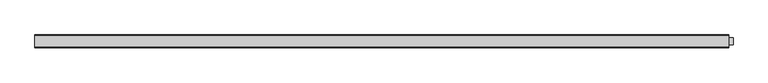
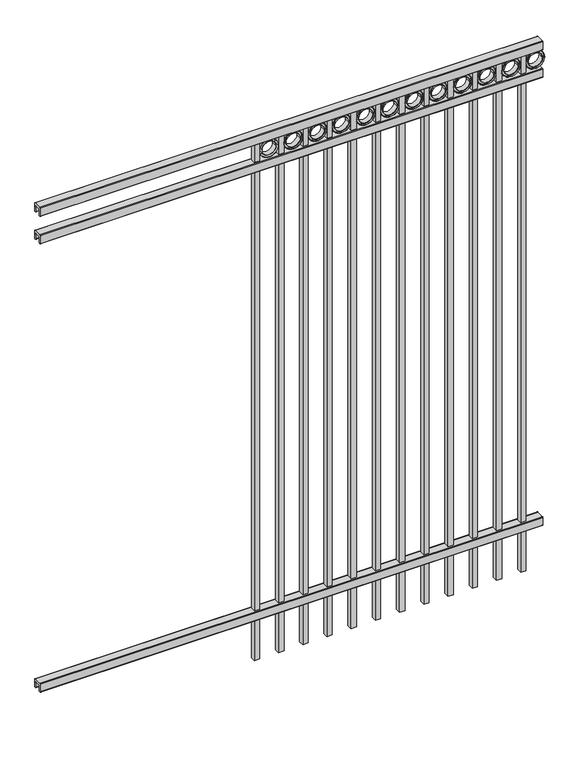
"""IFC4 building model written with IfcOpenShell, lengths in millimetres: railing geometry."""

from ifc_helpers import new_model, si_unit, point, frame, frame_2d, origin, place, context, project, spatial, polyline, circle_curve, trimmed, segment, composite_curve, outline, extrude, source, transform, mapped, element, save


def railing_75dcee2a(model_context):
    return source(origin(), model_context, "Body", "SweptSolid", [
        extrude(outline(composite_curve([segment(polyline([(5777.9139761, 304.8), (5815.969541, 304.8)]), True, "CONTINUOUS"), segment(trimmed(circle_curve(frame_2d((5815.969541, 301.625)), 3.175), [point((5815.969541, 304.8))], [point((5819.144541, 301.625))], False, "CARTESIAN"), True, "CONTINUOUS"), segment(polyline([(5819.144541, 301.625), (5819.144541, 262.1439893)]), True, "CONTINUOUS"), segment(trimmed(circle_curve(frame_2d((5817.3505518, 262.1439893)), 1.7939893), [point((5819.144541, 262.1439893))], [point((5817.3505518, 260.35))], False, "CARTESIAN"), True, "CONTINUOUS"), segment(polyline([(5817.3505518, 260.35), (5814.7590713, 260.35)]), True, "CONTINUOUS"), segment(trimmed(circle_curve(frame_2d((5814.7590713, 262.1359375)), 1.7859375), [point((5814.7590713, 260.35))], [point((5812.9755813, 262.0424688))], False, "CARTESIAN"), True, "CONTINUOUS"), segment(polyline([(5812.9755813, 262.0424688), (5811.4025867, 292.0569942), (5782.4364954, 292.0569942), (5780.8635007, 262.0424688)]), True, "CONTINUOUS"), segment(trimmed(circle_curve(frame_2d((5779.0800108, 262.1359375)), 1.7859375), [point((5780.8635007, 262.0424688))], [point((5779.0800108, 260.35))], False, "CARTESIAN"), True, "CONTINUOUS"), segment(polyline([(5779.0800108, 260.35), (5776.4804785, 260.35)]), True, "CONTINUOUS"), segment(trimmed(circle_curve(frame_2d((5776.4804785, 262.1359375)), 1.7859375), [point((5776.4804785, 260.35))], [point((5774.694541, 262.1359375))], False, "CARTESIAN"), True, "CONTINUOUS"), segment(polyline([(5774.694541, 262.1359375), (5774.694541, 301.5805649)]), True, "CONTINUOUS"), segment(trimmed(circle_curve(frame_2d((5777.9139761, 301.5805649)), 3.2194351), [point((5774.694541, 301.5805649))], [point((5777.9139761, 304.8))], False, "CARTESIAN"), True, "CONTINUOUS")], self_intersect=False)), frame((-6193.0649936, 0.0, 0.0), z_axis=(1.0, 0.0, 0.0), x_axis=(0.0, 1.0, 0.0)), (0.0, 0.0, 1.0), 2438.4),
        extrude(outline(composite_curve([segment(polyline([(5777.9139761, 2602.70625), (5815.969541, 2602.70625)]), True, "CONTINUOUS"), segment(trimmed(circle_curve(frame_2d((5815.969541, 2599.53125)), 3.175), [point((5815.969541, 2602.70625))], [point((5819.144541, 2599.53125))], False, "CARTESIAN"), True, "CONTINUOUS"), segment(polyline([(5819.144541, 2599.53125), (5819.144541, 2560.0502393)]), True, "CONTINUOUS"), segment(trimmed(circle_curve(frame_2d((5817.3505518, 2560.0502393)), 1.7939893), [point((5819.144541, 2560.0502393))], [point((5817.3505518, 2558.25625))], False, "CARTESIAN"), True, "CONTINUOUS"), segment(polyline([(5817.3505518, 2558.25625), (5814.7590713, 2558.25625)]), True, "CONTINUOUS"), segment(trimmed(circle_curve(frame_2d((5814.7590713, 2560.0421875)), 1.7859375), [point((5814.7590713, 2558.25625))], [point((5812.9755813, 2559.9487188))], False, "CARTESIAN"), True, "CONTINUOUS"), segment(polyline([(5812.9755813, 2559.9487188), (5811.4025867, 2589.9632442), (5782.4364954, 2589.9632442), (5780.8635007, 2559.9487188)]), True, "CONTINUOUS"), segment(trimmed(circle_curve(frame_2d((5779.0800108, 2560.0421875)), 1.7859375), [point((5780.8635007, 2559.9487188))], [point((5779.0800108, 2558.25625))], False, "CARTESIAN"), True, "CONTINUOUS"), segment(polyline([(5779.0800108, 2558.25625), (5776.4804785, 2558.25625)]), True, "CONTINUOUS"), segment(trimmed(circle_curve(frame_2d((5776.4804785, 2560.0421875)), 1.7859375), [point((5776.4804785, 2558.25625))], [point((5774.694541, 2560.0421875))], False, "CARTESIAN"), True, "CONTINUOUS"), segment(polyline([(5774.694541, 2560.0421875), (5774.694541, 2599.4868149)]), True, "CONTINUOUS"), segment(trimmed(circle_curve(frame_2d((5777.9139761, 2599.4868149)), 3.2194351), [point((5774.694541, 2599.4868149))], [point((5777.9139761, 2602.70625))], False, "CARTESIAN"), True, "CONTINUOUS")], self_intersect=False)), frame((-6193.0649936, 0.0, 0.0), z_axis=(1.0, 0.0, 0.0), x_axis=(0.0, 1.0, 0.0)), (0.0, 0.0, 1.0), 2438.4),
        extrude(outline(composite_curve([segment(polyline([(5777.9139761, 2743.2), (5815.969541, 2743.2)]), True, "CONTINUOUS"), segment(trimmed(circle_curve(frame_2d((5815.969541, 2740.025)), 3.175), [point((5815.969541, 2743.2))], [point((5819.144541, 2740.025))], False, "CARTESIAN"), True, "CONTINUOUS"), segment(polyline([(5819.144541, 2740.025), (5819.144541, 2700.5439893)]), True, "CONTINUOUS"), segment(trimmed(circle_curve(frame_2d((5817.3505518, 2700.5439893)), 1.7939893), [point((5819.144541, 2700.5439893))], [point((5817.3505518, 2698.75))], False, "CARTESIAN"), True, "CONTINUOUS"), segment(polyline([(5817.3505518, 2698.75), (5814.7590713, 2698.75)]), True, "CONTINUOUS"), segment(trimmed(circle_curve(frame_2d((5814.7590713, 2700.5359375)), 1.7859375), [point((5814.7590713, 2698.75))], [point((5812.9755813, 2700.4424688))], False, "CARTESIAN"), True, "CONTINUOUS"), segment(polyline([(5812.9755813, 2700.4424688), (5811.4025867, 2730.4569942), (5782.4364954, 2730.4569942), (5780.8635007, 2700.4424688)]), True, "CONTINUOUS"), segment(trimmed(circle_curve(frame_2d((5779.0800108, 2700.5359375)), 1.7859375), [point((5780.8635007, 2700.4424688))], [point((5779.0800108, 2698.75))], False, "CARTESIAN"), True, "CONTINUOUS"), segment(polyline([(5779.0800108, 2698.75), (5776.4804785, 2698.75)]), True, "CONTINUOUS"), segment(trimmed(circle_curve(frame_2d((5776.4804785, 2700.5359375)), 1.7859375), [point((5776.4804785, 2698.75))], [point((5774.694541, 2700.5359375))], False, "CARTESIAN"), True, "CONTINUOUS"), segment(polyline([(5774.694541, 2700.5359375), (5774.694541, 2739.9805649)]), True, "CONTINUOUS"), segment(trimmed(circle_curve(frame_2d((5777.9139761, 2739.9805649)), 3.2194351), [point((5774.694541, 2739.9805649))], [point((5777.9139761, 2743.2))], False, "CARTESIAN"), True, "CONTINUOUS")], self_intersect=False)), frame((-6193.0649936, 0.0, 0.0), z_axis=(1.0, 0.0, 0.0), x_axis=(0.0, 1.0, 0.0)), (0.0, 0.0, 1.0), 2438.4),
        extrude(outline(polyline([(0.0, -2647.95), (0.0, 0.0), (25.4, 0.0), (25.4, -2647.95), (0.0, -2647.95)])), frame((-3830.8649864, 5809.619541, 2698.75), z_axis=(-1.0, 0.0, 1.5671138160126508e-09), x_axis=(0.0, -1.0, 0.0)), (0.0, 0.0, 1.0), 25.4),
        extrude(outline(composite_curve([segment(trimmed(circle_curve(frame_2d((2653.0511409, -3785.1661274)), 45.6988591), [point((2653.0511409, -3739.4672684))], [point((2653.0511409, -3830.8649865))], False, "CARTESIAN"), True, "CONTINUOUS"), segment(trimmed(circle_curve(frame_2d((2653.0511409, -3785.1661274)), 45.6988591), [point((2653.0511409, -3830.8649865))], [point((2653.0511409, -3739.4672684))], False, "CARTESIAN"), True, "CONTINUOUS")], self_intersect=False), holes=[composite_curve([segment(trimmed(circle_curve(frame_2d((2653.0511409, -3785.1661274)), 44.101539), [point((2653.0511409, -3741.0645884))], [point((2653.0511409, -3829.2676665))], True, "CARTESIAN"), True, "CONTINUOUS"), segment(trimmed(circle_curve(frame_2d((2653.0511409, -3785.1661274)), 44.101539), [point((2653.0511409, -3829.2676665))], [point((2653.0511409, -3741.0645884))], True, "CARTESIAN"), True, "CONTINUOUS")], self_intersect=False)]), frame((0.0, 5784.219541, 0.0), z_axis=(0.0, 1.0, 0.0), x_axis=(0.0, 0.0, 1.0)), (0.0, 0.0, 1.0), 25.4),
        extrude(outline(composite_curve([segment(trimmed(circle_curve(frame_2d((2653.0511409, -3785.1661274)), 34.6370762), [point((2653.0511409, -3750.5290512))], [point((2653.0511409, -3819.8032037))], False, "CARTESIAN"), True, "CONTINUOUS"), segment(trimmed(circle_curve(frame_2d((2653.0511409, -3785.1661274)), 34.6370762), [point((2653.0511409, -3819.8032037))], [point((2653.0511409, -3750.5290512))], False, "CARTESIAN"), True, "CONTINUOUS")], self_intersect=False), holes=[composite_curve([segment(trimmed(circle_curve(frame_2d((2653.0511409, -3785.1661274)), 33.0443887), [point((2653.0511409, -3752.1217388))], [point((2653.0511409, -3818.2105161))], True, "CARTESIAN"), True, "CONTINUOUS"), segment(trimmed(circle_curve(frame_2d((2653.0511409, -3785.1661274)), 33.0443887), [point((2653.0511409, -3818.2105161))], [point((2653.0511409, -3752.1217388))], True, "CARTESIAN"), True, "CONTINUOUS")], self_intersect=False)]), frame((0.0, 5784.219541, 0.0), z_axis=(0.0, 1.0, 0.0), x_axis=(0.0, 0.0, 1.0)), (0.0, 0.0, 1.0), 25.4),
        extrude(outline(composite_curve([segment(trimmed(circle_curve(frame_2d((2653.0511409, -3785.1661274)), 45.6988591), [point((2653.0511409, -3739.4672684))], [point((2653.0511409, -3830.8649865))], False, "CARTESIAN"), True, "CONTINUOUS"), segment(trimmed(circle_curve(frame_2d((2653.0511409, -3785.1661274)), 45.6988591), [point((2653.0511409, -3830.8649865))], [point((2653.0511409, -3739.4672684))], False, "CARTESIAN"), True, "CONTINUOUS")], self_intersect=False), holes=[composite_curve([segment(trimmed(circle_curve(frame_2d((2653.0511409, -3785.1661274)), 33.0443887), [point((2653.0511409, -3752.1217388))], [point((2653.0511409, -3818.2105161))], True, "CARTESIAN"), True, "CONTINUOUS"), segment(trimmed(circle_curve(frame_2d((2653.0511409, -3785.1661274)), 33.0443887), [point((2653.0511409, -3818.2105161))], [point((2653.0511409, -3752.1217388))], True, "CARTESIAN"), True, "CONTINUOUS")], self_intersect=False)]), frame((0.0, 5790.569541, 0.0), z_axis=(0.0, 1.0, 0.0), x_axis=(0.0, 0.0, 1.0)), (0.0, 0.0, 1.0), 12.7),
        extrude(outline(polyline([(0.0, -2647.95), (0.0, 0.0), (25.4, 0.0), (25.4, -2647.95), (0.0, -2647.95)])), frame((-3948.3399864, 5809.619541, 2698.75), z_axis=(-1.0, 0.0, 1.5671138160126508e-09), x_axis=(0.0, -1.0, 0.0)), (0.0, 0.0, 1.0), 25.4),
        extrude(outline(composite_curve([segment(trimmed(circle_curve(frame_2d((2653.0511409, -3902.6411274)), 45.6988591), [point((2653.0511409, -3856.9422684))], [point((2653.0511409, -3948.3399865))], False, "CARTESIAN"), True, "CONTINUOUS"), segment(trimmed(circle_curve(frame_2d((2653.0511409, -3902.6411274)), 45.6988591), [point((2653.0511409, -3948.3399865))], [point((2653.0511409, -3856.9422684))], False, "CARTESIAN"), True, "CONTINUOUS")], self_intersect=False), holes=[composite_curve([segment(trimmed(circle_curve(frame_2d((2653.0511409, -3902.6411274)), 44.101539), [point((2653.0511409, -3858.5395884))], [point((2653.0511409, -3946.7426665))], True, "CARTESIAN"), True, "CONTINUOUS"), segment(trimmed(circle_curve(frame_2d((2653.0511409, -3902.6411274)), 44.101539), [point((2653.0511409, -3946.7426665))], [point((2653.0511409, -3858.5395884))], True, "CARTESIAN"), True, "CONTINUOUS")], self_intersect=False)]), frame((0.0, 5784.219541, 0.0), z_axis=(0.0, 1.0, 0.0), x_axis=(0.0, 0.0, 1.0)), (0.0, 0.0, 1.0), 25.4),
        extrude(outline(composite_curve([segment(trimmed(circle_curve(frame_2d((2653.0511409, -3902.6411274)), 34.6370762), [point((2653.0511409, -3868.0040512))], [point((2653.0511409, -3937.2782037))], False, "CARTESIAN"), True, "CONTINUOUS"), segment(trimmed(circle_curve(frame_2d((2653.0511409, -3902.6411274)), 34.6370762), [point((2653.0511409, -3937.2782037))], [point((2653.0511409, -3868.0040512))], False, "CARTESIAN"), True, "CONTINUOUS")], self_intersect=False), holes=[composite_curve([segment(trimmed(circle_curve(frame_2d((2653.0511409, -3902.6411274)), 33.0443887), [point((2653.0511409, -3869.5967388))], [point((2653.0511409, -3935.6855161))], True, "CARTESIAN"), True, "CONTINUOUS"), segment(trimmed(circle_curve(frame_2d((2653.0511409, -3902.6411274)), 33.0443887), [point((2653.0511409, -3935.6855161))], [point((2653.0511409, -3869.5967388))], True, "CARTESIAN"), True, "CONTINUOUS")], self_intersect=False)]), frame((0.0, 5784.219541, 0.0), z_axis=(0.0, 1.0, 0.0), x_axis=(0.0, 0.0, 1.0)), (0.0, 0.0, 1.0), 25.4),
        extrude(outline(composite_curve([segment(trimmed(circle_curve(frame_2d((2653.0511409, -3902.6411274)), 45.6988591), [point((2653.0511409, -3856.9422684))], [point((2653.0511409, -3948.3399865))], False, "CARTESIAN"), True, "CONTINUOUS"), segment(trimmed(circle_curve(frame_2d((2653.0511409, -3902.6411274)), 45.6988591), [point((2653.0511409, -3948.3399865))], [point((2653.0511409, -3856.9422684))], False, "CARTESIAN"), True, "CONTINUOUS")], self_intersect=False), holes=[composite_curve([segment(trimmed(circle_curve(frame_2d((2653.0511409, -3902.6411274)), 33.0443887), [point((2653.0511409, -3869.5967388))], [point((2653.0511409, -3935.6855161))], True, "CARTESIAN"), True, "CONTINUOUS"), segment(trimmed(circle_curve(frame_2d((2653.0511409, -3902.6411274)), 33.0443887), [point((2653.0511409, -3935.6855161))], [point((2653.0511409, -3869.5967388))], True, "CARTESIAN"), True, "CONTINUOUS")], self_intersect=False)]), frame((0.0, 5790.569541, 0.0), z_axis=(0.0, 1.0, 0.0), x_axis=(0.0, 0.0, 1.0)), (0.0, 0.0, 1.0), 12.7),
        extrude(outline(polyline([(0.0, -2647.95), (0.0, 0.0), (25.4, 0.0), (25.4, -2647.95), (0.0, -2647.95)])), frame((-4065.8149864, 5809.619541, 2698.75), z_axis=(-1.0, 0.0, 1.5671138160126508e-09), x_axis=(0.0, -1.0, 0.0)), (0.0, 0.0, 1.0), 25.4),
        extrude(outline(composite_curve([segment(trimmed(circle_curve(frame_2d((2653.0511409, -4020.1161274)), 45.6988591), [point((2653.0511409, -3974.4172684))], [point((2653.0511409, -4065.8149865))], False, "CARTESIAN"), True, "CONTINUOUS"), segment(trimmed(circle_curve(frame_2d((2653.0511409, -4020.1161274)), 45.6988591), [point((2653.0511409, -4065.8149865))], [point((2653.0511409, -3974.4172684))], False, "CARTESIAN"), True, "CONTINUOUS")], self_intersect=False), holes=[composite_curve([segment(trimmed(circle_curve(frame_2d((2653.0511409, -4020.1161274)), 44.101539), [point((2653.0511409, -3976.0145884))], [point((2653.0511409, -4064.2176665))], True, "CARTESIAN"), True, "CONTINUOUS"), segment(trimmed(circle_curve(frame_2d((2653.0511409, -4020.1161274)), 44.101539), [point((2653.0511409, -4064.2176665))], [point((2653.0511409, -3976.0145884))], True, "CARTESIAN"), True, "CONTINUOUS")], self_intersect=False)]), frame((0.0, 5784.219541, 0.0), z_axis=(0.0, 1.0, 0.0), x_axis=(0.0, 0.0, 1.0)), (0.0, 0.0, 1.0), 25.4),
        extrude(outline(composite_curve([segment(trimmed(circle_curve(frame_2d((2653.0511409, -4020.1161274)), 34.6370762), [point((2653.0511409, -3985.4790512))], [point((2653.0511409, -4054.7532037))], False, "CARTESIAN"), True, "CONTINUOUS"), segment(trimmed(circle_curve(frame_2d((2653.0511409, -4020.1161274)), 34.6370762), [point((2653.0511409, -4054.7532037))], [point((2653.0511409, -3985.4790512))], False, "CARTESIAN"), True, "CONTINUOUS")], self_intersect=False), holes=[composite_curve([segment(trimmed(circle_curve(frame_2d((2653.0511409, -4020.1161274)), 33.0443887), [point((2653.0511409, -3987.0717388))], [point((2653.0511409, -4053.1605161))], True, "CARTESIAN"), True, "CONTINUOUS"), segment(trimmed(circle_curve(frame_2d((2653.0511409, -4020.1161274)), 33.0443887), [point((2653.0511409, -4053.1605161))], [point((2653.0511409, -3987.0717388))], True, "CARTESIAN"), True, "CONTINUOUS")], self_intersect=False)]), frame((0.0, 5784.219541, 0.0), z_axis=(0.0, 1.0, 0.0), x_axis=(0.0, 0.0, 1.0)), (0.0, 0.0, 1.0), 25.4),
        extrude(outline(composite_curve([segment(trimmed(circle_curve(frame_2d((2653.0511409, -4020.1161274)), 45.6988591), [point((2653.0511409, -3974.4172684))], [point((2653.0511409, -4065.8149865))], False, "CARTESIAN"), True, "CONTINUOUS"), segment(trimmed(circle_curve(frame_2d((2653.0511409, -4020.1161274)), 45.6988591), [point((2653.0511409, -4065.8149865))], [point((2653.0511409, -3974.4172684))], False, "CARTESIAN"), True, "CONTINUOUS")], self_intersect=False), holes=[composite_curve([segment(trimmed(circle_curve(frame_2d((2653.0511409, -4020.1161274)), 33.0443887), [point((2653.0511409, -3987.0717388))], [point((2653.0511409, -4053.1605161))], True, "CARTESIAN"), True, "CONTINUOUS"), segment(trimmed(circle_curve(frame_2d((2653.0511409, -4020.1161274)), 33.0443887), [point((2653.0511409, -4053.1605161))], [point((2653.0511409, -3987.0717388))], True, "CARTESIAN"), True, "CONTINUOUS")], self_intersect=False)]), frame((0.0, 5790.569541, 0.0), z_axis=(0.0, 1.0, 0.0), x_axis=(0.0, 0.0, 1.0)), (0.0, 0.0, 1.0), 12.7),
        extrude(outline(polyline([(0.0, -2647.95), (0.0, 0.0), (25.4, 0.0), (25.4, -2647.95), (0.0, -2647.95)])), frame((-4183.2899864, 5809.619541, 2698.75), z_axis=(-1.0, 0.0, 1.5671138160126508e-09), x_axis=(0.0, -1.0, 0.0)), (0.0, 0.0, 1.0), 25.4),
        extrude(outline(composite_curve([segment(trimmed(circle_curve(frame_2d((2653.0511409, -4137.5911274)), 45.6988591), [point((2653.0511409, -4091.8922684))], [point((2653.0511409, -4183.2899865))], False, "CARTESIAN"), True, "CONTINUOUS"), segment(trimmed(circle_curve(frame_2d((2653.0511409, -4137.5911274)), 45.6988591), [point((2653.0511409, -4183.2899865))], [point((2653.0511409, -4091.8922684))], False, "CARTESIAN"), True, "CONTINUOUS")], self_intersect=False), holes=[composite_curve([segment(trimmed(circle_curve(frame_2d((2653.0511409, -4137.5911274)), 44.101539), [point((2653.0511409, -4093.4895884))], [point((2653.0511409, -4181.6926665))], True, "CARTESIAN"), True, "CONTINUOUS"), segment(trimmed(circle_curve(frame_2d((2653.0511409, -4137.5911274)), 44.101539), [point((2653.0511409, -4181.6926665))], [point((2653.0511409, -4093.4895884))], True, "CARTESIAN"), True, "CONTINUOUS")], self_intersect=False)]), frame((0.0, 5784.219541, 0.0), z_axis=(0.0, 1.0, 0.0), x_axis=(0.0, 0.0, 1.0)), (0.0, 0.0, 1.0), 25.4),
        extrude(outline(composite_curve([segment(trimmed(circle_curve(frame_2d((2653.0511409, -4137.5911274)), 34.6370762), [point((2653.0511409, -4102.9540512))], [point((2653.0511409, -4172.2282037))], False, "CARTESIAN"), True, "CONTINUOUS"), segment(trimmed(circle_curve(frame_2d((2653.0511409, -4137.5911274)), 34.6370762), [point((2653.0511409, -4172.2282037))], [point((2653.0511409, -4102.9540512))], False, "CARTESIAN"), True, "CONTINUOUS")], self_intersect=False), holes=[composite_curve([segment(trimmed(circle_curve(frame_2d((2653.0511409, -4137.5911274)), 33.0443887), [point((2653.0511409, -4104.5467388))], [point((2653.0511409, -4170.6355161))], True, "CARTESIAN"), True, "CONTINUOUS"), segment(trimmed(circle_curve(frame_2d((2653.0511409, -4137.5911274)), 33.0443887), [point((2653.0511409, -4170.6355161))], [point((2653.0511409, -4104.5467388))], True, "CARTESIAN"), True, "CONTINUOUS")], self_intersect=False)]), frame((0.0, 5784.219541, 0.0), z_axis=(0.0, 1.0, 0.0), x_axis=(0.0, 0.0, 1.0)), (0.0, 0.0, 1.0), 25.4),
        extrude(outline(composite_curve([segment(trimmed(circle_curve(frame_2d((2653.0511409, -4137.5911274)), 45.6988591), [point((2653.0511409, -4091.8922684))], [point((2653.0511409, -4183.2899865))], False, "CARTESIAN"), True, "CONTINUOUS"), segment(trimmed(circle_curve(frame_2d((2653.0511409, -4137.5911274)), 45.6988591), [point((2653.0511409, -4183.2899865))], [point((2653.0511409, -4091.8922684))], False, "CARTESIAN"), True, "CONTINUOUS")], self_intersect=False), holes=[composite_curve([segment(trimmed(circle_curve(frame_2d((2653.0511409, -4137.5911274)), 33.0443887), [point((2653.0511409, -4104.5467388))], [point((2653.0511409, -4170.6355161))], True, "CARTESIAN"), True, "CONTINUOUS"), segment(trimmed(circle_curve(frame_2d((2653.0511409, -4137.5911274)), 33.0443887), [point((2653.0511409, -4170.6355161))], [point((2653.0511409, -4104.5467388))], True, "CARTESIAN"), True, "CONTINUOUS")], self_intersect=False)]), frame((0.0, 5790.569541, 0.0), z_axis=(0.0, 1.0, 0.0), x_axis=(0.0, 0.0, 1.0)), (0.0, 0.0, 1.0), 12.7),
        extrude(outline(polyline([(0.0, -2647.95), (0.0, 0.0), (25.4, 0.0), (25.4, -2647.95), (0.0, -2647.95)])), frame((-4300.7649864, 5809.619541, 2698.75), z_axis=(-1.0, 0.0, 1.5671138160126508e-09), x_axis=(0.0, -1.0, 0.0)), (0.0, 0.0, 1.0), 25.4),
        extrude(outline(composite_curve([segment(trimmed(circle_curve(frame_2d((2653.0511409, -4255.0661274)), 45.6988591), [point((2653.0511409, -4209.3672684))], [point((2653.0511409, -4300.7649865))], False, "CARTESIAN"), True, "CONTINUOUS"), segment(trimmed(circle_curve(frame_2d((2653.0511409, -4255.0661274)), 45.6988591), [point((2653.0511409, -4300.7649865))], [point((2653.0511409, -4209.3672684))], False, "CARTESIAN"), True, "CONTINUOUS")], self_intersect=False), holes=[composite_curve([segment(trimmed(circle_curve(frame_2d((2653.0511409, -4255.0661274)), 44.101539), [point((2653.0511409, -4210.9645884))], [point((2653.0511409, -4299.1676665))], True, "CARTESIAN"), True, "CONTINUOUS"), segment(trimmed(circle_curve(frame_2d((2653.0511409, -4255.0661274)), 44.101539), [point((2653.0511409, -4299.1676665))], [point((2653.0511409, -4210.9645884))], True, "CARTESIAN"), True, "CONTINUOUS")], self_intersect=False)]), frame((0.0, 5784.219541, 0.0), z_axis=(0.0, 1.0, 0.0), x_axis=(0.0, 0.0, 1.0)), (0.0, 0.0, 1.0), 25.4),
        extrude(outline(composite_curve([segment(trimmed(circle_curve(frame_2d((2653.0511409, -4255.0661274)), 34.6370762), [point((2653.0511409, -4220.4290512))], [point((2653.0511409, -4289.7032037))], False, "CARTESIAN"), True, "CONTINUOUS"), segment(trimmed(circle_curve(frame_2d((2653.0511409, -4255.0661274)), 34.6370762), [point((2653.0511409, -4289.7032037))], [point((2653.0511409, -4220.4290512))], False, "CARTESIAN"), True, "CONTINUOUS")], self_intersect=False), holes=[composite_curve([segment(trimmed(circle_curve(frame_2d((2653.0511409, -4255.0661274)), 33.0443887), [point((2653.0511409, -4222.0217388))], [point((2653.0511409, -4288.1105161))], True, "CARTESIAN"), True, "CONTINUOUS"), segment(trimmed(circle_curve(frame_2d((2653.0511409, -4255.0661274)), 33.0443887), [point((2653.0511409, -4288.1105161))], [point((2653.0511409, -4222.0217388))], True, "CARTESIAN"), True, "CONTINUOUS")], self_intersect=False)]), frame((0.0, 5784.219541, 0.0), z_axis=(0.0, 1.0, 0.0), x_axis=(0.0, 0.0, 1.0)), (0.0, 0.0, 1.0), 25.4),
        extrude(outline(composite_curve([segment(trimmed(circle_curve(frame_2d((2653.0511409, -4255.0661274)), 45.6988591), [point((2653.0511409, -4209.3672684))], [point((2653.0511409, -4300.7649865))], False, "CARTESIAN"), True, "CONTINUOUS"), segment(trimmed(circle_curve(frame_2d((2653.0511409, -4255.0661274)), 45.6988591), [point((2653.0511409, -4300.7649865))], [point((2653.0511409, -4209.3672684))], False, "CARTESIAN"), True, "CONTINUOUS")], self_intersect=False), holes=[composite_curve([segment(trimmed(circle_curve(frame_2d((2653.0511409, -4255.0661274)), 33.0443887), [point((2653.0511409, -4222.0217388))], [point((2653.0511409, -4288.1105161))], True, "CARTESIAN"), True, "CONTINUOUS"), segment(trimmed(circle_curve(frame_2d((2653.0511409, -4255.0661274)), 33.0443887), [point((2653.0511409, -4288.1105161))], [point((2653.0511409, -4222.0217388))], True, "CARTESIAN"), True, "CONTINUOUS")], self_intersect=False)]), frame((0.0, 5790.569541, 0.0), z_axis=(0.0, 1.0, 0.0), x_axis=(0.0, 0.0, 1.0)), (0.0, 0.0, 1.0), 12.7),
        extrude(outline(polyline([(0.0, -2647.95), (0.0, 0.0), (25.4, 0.0), (25.4, -2647.95), (0.0, -2647.95)])), frame((-4418.2399864, 5809.619541, 2698.75), z_axis=(-1.0, 0.0, 1.5671138160126508e-09), x_axis=(0.0, -1.0, 0.0)), (0.0, 0.0, 1.0), 25.4),
        extrude(outline(composite_curve([segment(trimmed(circle_curve(frame_2d((2653.0511409, -4372.5411274)), 45.6988591), [point((2653.0511409, -4326.8422684))], [point((2653.0511409, -4418.2399865))], False, "CARTESIAN"), True, "CONTINUOUS"), segment(trimmed(circle_curve(frame_2d((2653.0511409, -4372.5411274)), 45.6988591), [point((2653.0511409, -4418.2399865))], [point((2653.0511409, -4326.8422684))], False, "CARTESIAN"), True, "CONTINUOUS")], self_intersect=False), holes=[composite_curve([segment(trimmed(circle_curve(frame_2d((2653.0511409, -4372.5411274)), 44.101539), [point((2653.0511409, -4328.4395884))], [point((2653.0511409, -4416.6426665))], True, "CARTESIAN"), True, "CONTINUOUS"), segment(trimmed(circle_curve(frame_2d((2653.0511409, -4372.5411274)), 44.101539), [point((2653.0511409, -4416.6426665))], [point((2653.0511409, -4328.4395884))], True, "CARTESIAN"), True, "CONTINUOUS")], self_intersect=False)]), frame((0.0, 5784.219541, 0.0), z_axis=(0.0, 1.0, 0.0), x_axis=(0.0, 0.0, 1.0)), (0.0, 0.0, 1.0), 25.4),
        extrude(outline(composite_curve([segment(trimmed(circle_curve(frame_2d((2653.0511409, -4372.5411274)), 34.6370762), [point((2653.0511409, -4337.9040512))], [point((2653.0511409, -4407.1782037))], False, "CARTESIAN"), True, "CONTINUOUS"), segment(trimmed(circle_curve(frame_2d((2653.0511409, -4372.5411274)), 34.6370762), [point((2653.0511409, -4407.1782037))], [point((2653.0511409, -4337.9040512))], False, "CARTESIAN"), True, "CONTINUOUS")], self_intersect=False), holes=[composite_curve([segment(trimmed(circle_curve(frame_2d((2653.0511409, -4372.5411274)), 33.0443887), [point((2653.0511409, -4339.4967388))], [point((2653.0511409, -4405.5855161))], True, "CARTESIAN"), True, "CONTINUOUS"), segment(trimmed(circle_curve(frame_2d((2653.0511409, -4372.5411274)), 33.0443887), [point((2653.0511409, -4405.5855161))], [point((2653.0511409, -4339.4967388))], True, "CARTESIAN"), True, "CONTINUOUS")], self_intersect=False)]), frame((0.0, 5784.219541, 0.0), z_axis=(0.0, 1.0, 0.0), x_axis=(0.0, 0.0, 1.0)), (0.0, 0.0, 1.0), 25.4),
        extrude(outline(composite_curve([segment(trimmed(circle_curve(frame_2d((2653.0511409, -4372.5411274)), 45.6988591), [point((2653.0511409, -4326.8422684))], [point((2653.0511409, -4418.2399865))], False, "CARTESIAN"), True, "CONTINUOUS"), segment(trimmed(circle_curve(frame_2d((2653.0511409, -4372.5411274)), 45.6988591), [point((2653.0511409, -4418.2399865))], [point((2653.0511409, -4326.8422684))], False, "CARTESIAN"), True, "CONTINUOUS")], self_intersect=False), holes=[composite_curve([segment(trimmed(circle_curve(frame_2d((2653.0511409, -4372.5411274)), 33.0443887), [point((2653.0511409, -4339.4967388))], [point((2653.0511409, -4405.5855161))], True, "CARTESIAN"), True, "CONTINUOUS"), segment(trimmed(circle_curve(frame_2d((2653.0511409, -4372.5411274)), 33.0443887), [point((2653.0511409, -4405.5855161))], [point((2653.0511409, -4339.4967388))], True, "CARTESIAN"), True, "CONTINUOUS")], self_intersect=False)]), frame((0.0, 5790.569541, 0.0), z_axis=(0.0, 1.0, 0.0), x_axis=(0.0, 0.0, 1.0)), (0.0, 0.0, 1.0), 12.7),
        extrude(outline(polyline([(0.0, -2647.95), (0.0, 0.0), (25.4, 0.0), (25.4, -2647.95), (0.0, -2647.95)])), frame((-4535.7149864, 5809.619541, 2698.75), z_axis=(-1.0, 0.0, 1.5671138160126508e-09), x_axis=(0.0, -1.0, 0.0)), (0.0, 0.0, 1.0), 25.4),
        extrude(outline(composite_curve([segment(trimmed(circle_curve(frame_2d((2653.0511409, -4490.0161274)), 45.6988591), [point((2653.0511409, -4444.3172684))], [point((2653.0511409, -4535.7149865))], False, "CARTESIAN"), True, "CONTINUOUS"), segment(trimmed(circle_curve(frame_2d((2653.0511409, -4490.0161274)), 45.6988591), [point((2653.0511409, -4535.7149865))], [point((2653.0511409, -4444.3172684))], False, "CARTESIAN"), True, "CONTINUOUS")], self_intersect=False), holes=[composite_curve([segment(trimmed(circle_curve(frame_2d((2653.0511409, -4490.0161274)), 44.101539), [point((2653.0511409, -4445.9145884))], [point((2653.0511409, -4534.1176665))], True, "CARTESIAN"), True, "CONTINUOUS"), segment(trimmed(circle_curve(frame_2d((2653.0511409, -4490.0161274)), 44.101539), [point((2653.0511409, -4534.1176665))], [point((2653.0511409, -4445.9145884))], True, "CARTESIAN"), True, "CONTINUOUS")], self_intersect=False)]), frame((0.0, 5784.219541, 0.0), z_axis=(0.0, 1.0, 0.0), x_axis=(0.0, 0.0, 1.0)), (0.0, 0.0, 1.0), 25.4),
        extrude(outline(composite_curve([segment(trimmed(circle_curve(frame_2d((2653.0511409, -4490.0161274)), 34.6370762), [point((2653.0511409, -4455.3790512))], [point((2653.0511409, -4524.6532037))], False, "CARTESIAN"), True, "CONTINUOUS"), segment(trimmed(circle_curve(frame_2d((2653.0511409, -4490.0161274)), 34.6370762), [point((2653.0511409, -4524.6532037))], [point((2653.0511409, -4455.3790512))], False, "CARTESIAN"), True, "CONTINUOUS")], self_intersect=False), holes=[composite_curve([segment(trimmed(circle_curve(frame_2d((2653.0511409, -4490.0161274)), 33.0443887), [point((2653.0511409, -4456.9717388))], [point((2653.0511409, -4523.0605161))], True, "CARTESIAN"), True, "CONTINUOUS"), segment(trimmed(circle_curve(frame_2d((2653.0511409, -4490.0161274)), 33.0443887), [point((2653.0511409, -4523.0605161))], [point((2653.0511409, -4456.9717388))], True, "CARTESIAN"), True, "CONTINUOUS")], self_intersect=False)]), frame((0.0, 5784.219541, 0.0), z_axis=(0.0, 1.0, 0.0), x_axis=(0.0, 0.0, 1.0)), (0.0, 0.0, 1.0), 25.4),
        extrude(outline(composite_curve([segment(trimmed(circle_curve(frame_2d((2653.0511409, -4490.0161274)), 45.6988591), [point((2653.0511409, -4444.3172684))], [point((2653.0511409, -4535.7149865))], False, "CARTESIAN"), True, "CONTINUOUS"), segment(trimmed(circle_curve(frame_2d((2653.0511409, -4490.0161274)), 45.6988591), [point((2653.0511409, -4535.7149865))], [point((2653.0511409, -4444.3172684))], False, "CARTESIAN"), True, "CONTINUOUS")], self_intersect=False), holes=[composite_curve([segment(trimmed(circle_curve(frame_2d((2653.0511409, -4490.0161274)), 33.0443887), [point((2653.0511409, -4456.9717388))], [point((2653.0511409, -4523.0605161))], True, "CARTESIAN"), True, "CONTINUOUS"), segment(trimmed(circle_curve(frame_2d((2653.0511409, -4490.0161274)), 33.0443887), [point((2653.0511409, -4523.0605161))], [point((2653.0511409, -4456.9717388))], True, "CARTESIAN"), True, "CONTINUOUS")], self_intersect=False)]), frame((0.0, 5790.569541, 0.0), z_axis=(0.0, 1.0, 0.0), x_axis=(0.0, 0.0, 1.0)), (0.0, 0.0, 1.0), 12.7),
        extrude(outline(polyline([(0.0, -2647.95), (0.0, 0.0), (25.4, 0.0), (25.4, -2647.95), (0.0, -2647.95)])), frame((-4653.1899864, 5809.619541, 2698.75), z_axis=(-1.0, 0.0, 1.5671138160126508e-09), x_axis=(0.0, -1.0, 0.0)), (0.0, 0.0, 1.0), 25.4),
        extrude(outline(composite_curve([segment(trimmed(circle_curve(frame_2d((2653.0511409, -4607.4911274)), 45.6988591), [point((2653.0511409, -4561.7922684))], [point((2653.0511409, -4653.1899865))], False, "CARTESIAN"), True, "CONTINUOUS"), segment(trimmed(circle_curve(frame_2d((2653.0511409, -4607.4911274)), 45.6988591), [point((2653.0511409, -4653.1899865))], [point((2653.0511409, -4561.7922684))], False, "CARTESIAN"), True, "CONTINUOUS")], self_intersect=False), holes=[composite_curve([segment(trimmed(circle_curve(frame_2d((2653.0511409, -4607.4911274)), 44.101539), [point((2653.0511409, -4563.3895884))], [point((2653.0511409, -4651.5926665))], True, "CARTESIAN"), True, "CONTINUOUS"), segment(trimmed(circle_curve(frame_2d((2653.0511409, -4607.4911274)), 44.101539), [point((2653.0511409, -4651.5926665))], [point((2653.0511409, -4563.3895884))], True, "CARTESIAN"), True, "CONTINUOUS")], self_intersect=False)]), frame((0.0, 5784.219541, 0.0), z_axis=(0.0, 1.0, 0.0), x_axis=(0.0, 0.0, 1.0)), (0.0, 0.0, 1.0), 25.4),
        extrude(outline(composite_curve([segment(trimmed(circle_curve(frame_2d((2653.0511409, -4607.4911274)), 34.6370762), [point((2653.0511409, -4572.8540512))], [point((2653.0511409, -4642.1282037))], False, "CARTESIAN"), True, "CONTINUOUS"), segment(trimmed(circle_curve(frame_2d((2653.0511409, -4607.4911274)), 34.6370762), [point((2653.0511409, -4642.1282037))], [point((2653.0511409, -4572.8540512))], False, "CARTESIAN"), True, "CONTINUOUS")], self_intersect=False), holes=[composite_curve([segment(trimmed(circle_curve(frame_2d((2653.0511409, -4607.4911274)), 33.0443887), [point((2653.0511409, -4574.4467388))], [point((2653.0511409, -4640.5355161))], True, "CARTESIAN"), True, "CONTINUOUS"), segment(trimmed(circle_curve(frame_2d((2653.0511409, -4607.4911274)), 33.0443887), [point((2653.0511409, -4640.5355161))], [point((2653.0511409, -4574.4467388))], True, "CARTESIAN"), True, "CONTINUOUS")], self_intersect=False)]), frame((0.0, 5784.219541, 0.0), z_axis=(0.0, 1.0, 0.0), x_axis=(0.0, 0.0, 1.0)), (0.0, 0.0, 1.0), 25.4),
        extrude(outline(composite_curve([segment(trimmed(circle_curve(frame_2d((2653.0511409, -4607.4911274)), 45.6988591), [point((2653.0511409, -4561.7922684))], [point((2653.0511409, -4653.1899865))], False, "CARTESIAN"), True, "CONTINUOUS"), segment(trimmed(circle_curve(frame_2d((2653.0511409, -4607.4911274)), 45.6988591), [point((2653.0511409, -4653.1899865))], [point((2653.0511409, -4561.7922684))], False, "CARTESIAN"), True, "CONTINUOUS")], self_intersect=False), holes=[composite_curve([segment(trimmed(circle_curve(frame_2d((2653.0511409, -4607.4911274)), 33.0443887), [point((2653.0511409, -4574.4467388))], [point((2653.0511409, -4640.5355161))], True, "CARTESIAN"), True, "CONTINUOUS"), segment(trimmed(circle_curve(frame_2d((2653.0511409, -4607.4911274)), 33.0443887), [point((2653.0511409, -4640.5355161))], [point((2653.0511409, -4574.4467388))], True, "CARTESIAN"), True, "CONTINUOUS")], self_intersect=False)]), frame((0.0, 5790.569541, 0.0), z_axis=(0.0, 1.0, 0.0), x_axis=(0.0, 0.0, 1.0)), (0.0, 0.0, 1.0), 12.7),
        extrude(outline(polyline([(0.0, -2647.95), (0.0, 0.0), (25.4, 0.0), (25.4, -2647.95), (0.0, -2647.95)])), frame((-4770.6649864, 5809.619541, 2698.75), z_axis=(-1.0, 0.0, 1.5671138160126508e-09), x_axis=(0.0, -1.0, 0.0)), (0.0, 0.0, 1.0), 25.4),
        extrude(outline(composite_curve([segment(trimmed(circle_curve(frame_2d((2653.0511409, -4724.9661274)), 45.6988591), [point((2653.0511409, -4679.2672684))], [point((2653.0511409, -4770.6649865))], False, "CARTESIAN"), True, "CONTINUOUS"), segment(trimmed(circle_curve(frame_2d((2653.0511409, -4724.9661274)), 45.6988591), [point((2653.0511409, -4770.6649865))], [point((2653.0511409, -4679.2672684))], False, "CARTESIAN"), True, "CONTINUOUS")], self_intersect=False), holes=[composite_curve([segment(trimmed(circle_curve(frame_2d((2653.0511409, -4724.9661274)), 44.101539), [point((2653.0511409, -4680.8645884))], [point((2653.0511409, -4769.0676665))], True, "CARTESIAN"), True, "CONTINUOUS"), segment(trimmed(circle_curve(frame_2d((2653.0511409, -4724.9661274)), 44.101539), [point((2653.0511409, -4769.0676665))], [point((2653.0511409, -4680.8645884))], True, "CARTESIAN"), True, "CONTINUOUS")], self_intersect=False)]), frame((0.0, 5784.219541, 0.0), z_axis=(0.0, 1.0, 0.0), x_axis=(0.0, 0.0, 1.0)), (0.0, 0.0, 1.0), 25.4),
        extrude(outline(composite_curve([segment(trimmed(circle_curve(frame_2d((2653.0511409, -4724.9661274)), 34.6370762), [point((2653.0511409, -4690.3290512))], [point((2653.0511409, -4759.6032037))], False, "CARTESIAN"), True, "CONTINUOUS"), segment(trimmed(circle_curve(frame_2d((2653.0511409, -4724.9661274)), 34.6370762), [point((2653.0511409, -4759.6032037))], [point((2653.0511409, -4690.3290512))], False, "CARTESIAN"), True, "CONTINUOUS")], self_intersect=False), holes=[composite_curve([segment(trimmed(circle_curve(frame_2d((2653.0511409, -4724.9661274)), 33.0443887), [point((2653.0511409, -4691.9217388))], [point((2653.0511409, -4758.0105161))], True, "CARTESIAN"), True, "CONTINUOUS"), segment(trimmed(circle_curve(frame_2d((2653.0511409, -4724.9661274)), 33.0443887), [point((2653.0511409, -4758.0105161))], [point((2653.0511409, -4691.9217388))], True, "CARTESIAN"), True, "CONTINUOUS")], self_intersect=False)]), frame((0.0, 5784.219541, 0.0), z_axis=(0.0, 1.0, 0.0), x_axis=(0.0, 0.0, 1.0)), (0.0, 0.0, 1.0), 25.4),
        extrude(outline(composite_curve([segment(trimmed(circle_curve(frame_2d((2653.0511409, -4724.9661274)), 45.6988591), [point((2653.0511409, -4679.2672684))], [point((2653.0511409, -4770.6649865))], False, "CARTESIAN"), True, "CONTINUOUS"), segment(trimmed(circle_curve(frame_2d((2653.0511409, -4724.9661274)), 45.6988591), [point((2653.0511409, -4770.6649865))], [point((2653.0511409, -4679.2672684))], False, "CARTESIAN"), True, "CONTINUOUS")], self_intersect=False), holes=[composite_curve([segment(trimmed(circle_curve(frame_2d((2653.0511409, -4724.9661274)), 33.0443887), [point((2653.0511409, -4691.9217388))], [point((2653.0511409, -4758.0105161))], True, "CARTESIAN"), True, "CONTINUOUS"), segment(trimmed(circle_curve(frame_2d((2653.0511409, -4724.9661274)), 33.0443887), [point((2653.0511409, -4758.0105161))], [point((2653.0511409, -4691.9217388))], True, "CARTESIAN"), True, "CONTINUOUS")], self_intersect=False)]), frame((0.0, 5790.569541, 0.0), z_axis=(0.0, 1.0, 0.0), x_axis=(0.0, 0.0, 1.0)), (0.0, 0.0, 1.0), 12.7),
        extrude(outline(polyline([(0.0, -2647.95), (0.0, 0.0), (25.4, 0.0), (25.4, -2647.95), (0.0, -2647.95)])), frame((-4888.1399864, 5809.619541, 2698.75), z_axis=(-1.0, 0.0, 1.5671138160126508e-09), x_axis=(0.0, -1.0, 0.0)), (0.0, 0.0, 1.0), 25.4),
        extrude(outline(composite_curve([segment(trimmed(circle_curve(frame_2d((2653.0511409, -4842.4411274)), 45.6988591), [point((2653.0511409, -4796.7422684))], [point((2653.0511409, -4888.1399865))], False, "CARTESIAN"), True, "CONTINUOUS"), segment(trimmed(circle_curve(frame_2d((2653.0511409, -4842.4411274)), 45.6988591), [point((2653.0511409, -4888.1399865))], [point((2653.0511409, -4796.7422684))], False, "CARTESIAN"), True, "CONTINUOUS")], self_intersect=False), holes=[composite_curve([segment(trimmed(circle_curve(frame_2d((2653.0511409, -4842.4411274)), 44.101539), [point((2653.0511409, -4798.3395884))], [point((2653.0511409, -4886.5426665))], True, "CARTESIAN"), True, "CONTINUOUS"), segment(trimmed(circle_curve(frame_2d((2653.0511409, -4842.4411274)), 44.101539), [point((2653.0511409, -4886.5426665))], [point((2653.0511409, -4798.3395884))], True, "CARTESIAN"), True, "CONTINUOUS")], self_intersect=False)]), frame((0.0, 5784.219541, 0.0), z_axis=(0.0, 1.0, 0.0), x_axis=(0.0, 0.0, 1.0)), (0.0, 0.0, 1.0), 25.4),
        extrude(outline(composite_curve([segment(trimmed(circle_curve(frame_2d((2653.0511409, -4842.4411274)), 34.6370762), [point((2653.0511409, -4807.8040512))], [point((2653.0511409, -4877.0782037))], False, "CARTESIAN"), True, "CONTINUOUS"), segment(trimmed(circle_curve(frame_2d((2653.0511409, -4842.4411274)), 34.6370762), [point((2653.0511409, -4877.0782037))], [point((2653.0511409, -4807.8040512))], False, "CARTESIAN"), True, "CONTINUOUS")], self_intersect=False), holes=[composite_curve([segment(trimmed(circle_curve(frame_2d((2653.0511409, -4842.4411274)), 33.0443887), [point((2653.0511409, -4809.3967388))], [point((2653.0511409, -4875.4855161))], True, "CARTESIAN"), True, "CONTINUOUS"), segment(trimmed(circle_curve(frame_2d((2653.0511409, -4842.4411274)), 33.0443887), [point((2653.0511409, -4875.4855161))], [point((2653.0511409, -4809.3967388))], True, "CARTESIAN"), True, "CONTINUOUS")], self_intersect=False)]), frame((0.0, 5784.219541, 0.0), z_axis=(0.0, 1.0, 0.0), x_axis=(0.0, 0.0, 1.0)), (0.0, 0.0, 1.0), 25.4),
        extrude(outline(composite_curve([segment(trimmed(circle_curve(frame_2d((2653.0511409, -4842.4411274)), 45.6988591), [point((2653.0511409, -4796.7422684))], [point((2653.0511409, -4888.1399865))], False, "CARTESIAN"), True, "CONTINUOUS"), segment(trimmed(circle_curve(frame_2d((2653.0511409, -4842.4411274)), 45.6988591), [point((2653.0511409, -4888.1399865))], [point((2653.0511409, -4796.7422684))], False, "CARTESIAN"), True, "CONTINUOUS")], self_intersect=False), holes=[composite_curve([segment(trimmed(circle_curve(frame_2d((2653.0511409, -4842.4411274)), 33.0443887), [point((2653.0511409, -4809.3967388))], [point((2653.0511409, -4875.4855161))], True, "CARTESIAN"), True, "CONTINUOUS"), segment(trimmed(circle_curve(frame_2d((2653.0511409, -4842.4411274)), 33.0443887), [point((2653.0511409, -4875.4855161))], [point((2653.0511409, -4809.3967388))], True, "CARTESIAN"), True, "CONTINUOUS")], self_intersect=False)]), frame((0.0, 5790.569541, 0.0), z_axis=(0.0, 1.0, 0.0), x_axis=(0.0, 0.0, 1.0)), (0.0, 0.0, 1.0), 12.7),
        extrude(outline(polyline([(0.0, -2647.95), (0.0, 0.0), (25.4, 0.0), (25.4, -2647.95), (0.0, -2647.95)])), frame((-5005.6149864, 5809.619541, 2698.75), z_axis=(-1.0, 0.0, 1.5671138160126508e-09), x_axis=(0.0, -1.0, 0.0)), (0.0, 0.0, 1.0), 25.4),
        extrude(outline(composite_curve([segment(trimmed(circle_curve(frame_2d((2653.0511409, -4959.9161274)), 45.6988591), [point((2653.0511409, -4914.2172684))], [point((2653.0511409, -5005.6149865))], False, "CARTESIAN"), True, "CONTINUOUS"), segment(trimmed(circle_curve(frame_2d((2653.0511409, -4959.9161274)), 45.6988591), [point((2653.0511409, -5005.6149865))], [point((2653.0511409, -4914.2172684))], False, "CARTESIAN"), True, "CONTINUOUS")], self_intersect=False), holes=[composite_curve([segment(trimmed(circle_curve(frame_2d((2653.0511409, -4959.9161274)), 44.101539), [point((2653.0511409, -4915.8145884))], [point((2653.0511409, -5004.0176665))], True, "CARTESIAN"), True, "CONTINUOUS"), segment(trimmed(circle_curve(frame_2d((2653.0511409, -4959.9161274)), 44.101539), [point((2653.0511409, -5004.0176665))], [point((2653.0511409, -4915.8145884))], True, "CARTESIAN"), True, "CONTINUOUS")], self_intersect=False)]), frame((0.0, 5784.219541, 0.0), z_axis=(0.0, 1.0, 0.0), x_axis=(0.0, 0.0, 1.0)), (0.0, 0.0, 1.0), 25.4),
        extrude(outline(composite_curve([segment(trimmed(circle_curve(frame_2d((2653.0511409, -4959.9161274)), 34.6370762), [point((2653.0511409, -4925.2790512))], [point((2653.0511409, -4994.5532037))], False, "CARTESIAN"), True, "CONTINUOUS"), segment(trimmed(circle_curve(frame_2d((2653.0511409, -4959.9161274)), 34.6370762), [point((2653.0511409, -4994.5532037))], [point((2653.0511409, -4925.2790512))], False, "CARTESIAN"), True, "CONTINUOUS")], self_intersect=False), holes=[composite_curve([segment(trimmed(circle_curve(frame_2d((2653.0511409, -4959.9161274)), 33.0443887), [point((2653.0511409, -4926.8717388))], [point((2653.0511409, -4992.9605161))], True, "CARTESIAN"), True, "CONTINUOUS"), segment(trimmed(circle_curve(frame_2d((2653.0511409, -4959.9161274)), 33.0443887), [point((2653.0511409, -4992.9605161))], [point((2653.0511409, -4926.8717388))], True, "CARTESIAN"), True, "CONTINUOUS")], self_intersect=False)]), frame((0.0, 5784.219541, 0.0), z_axis=(0.0, 1.0, 0.0), x_axis=(0.0, 0.0, 1.0)), (0.0, 0.0, 1.0), 25.4),
        extrude(outline(composite_curve([segment(trimmed(circle_curve(frame_2d((2653.0511409, -4959.9161274)), 45.6988591), [point((2653.0511409, -4914.2172684))], [point((2653.0511409, -5005.6149865))], False, "CARTESIAN"), True, "CONTINUOUS"), segment(trimmed(circle_curve(frame_2d((2653.0511409, -4959.9161274)), 45.6988591), [point((2653.0511409, -5005.6149865))], [point((2653.0511409, -4914.2172684))], False, "CARTESIAN"), True, "CONTINUOUS")], self_intersect=False), holes=[composite_curve([segment(trimmed(circle_curve(frame_2d((2653.0511409, -4959.9161274)), 33.0443887), [point((2653.0511409, -4926.8717388))], [point((2653.0511409, -4992.9605161))], True, "CARTESIAN"), True, "CONTINUOUS"), segment(trimmed(circle_curve(frame_2d((2653.0511409, -4959.9161274)), 33.0443887), [point((2653.0511409, -4992.9605161))], [point((2653.0511409, -4926.8717388))], True, "CARTESIAN"), True, "CONTINUOUS")], self_intersect=False)]), frame((0.0, 5790.569541, 0.0), z_axis=(0.0, 1.0, 0.0), x_axis=(0.0, 0.0, 1.0)), (0.0, 0.0, 1.0), 12.7),
        extrude(outline(polyline([(0.0, -2647.95), (0.0, 0.0), (25.4, 0.0), (25.4, -2647.95), (0.0, -2647.95)])), frame((-5123.0899864, 5809.619541, 2698.75), z_axis=(-1.0, 0.0, 1.5671138160126508e-09), x_axis=(0.0, -1.0, 0.0)), (0.0, 0.0, 1.0), 25.4),
        extrude(outline(composite_curve([segment(trimmed(circle_curve(frame_2d((2653.0511409, -5077.3911274)), 45.6988591), [point((2653.0511409, -5031.6922684))], [point((2653.0511409, -5123.0899865))], False, "CARTESIAN"), True, "CONTINUOUS"), segment(trimmed(circle_curve(frame_2d((2653.0511409, -5077.3911274)), 45.6988591), [point((2653.0511409, -5123.0899865))], [point((2653.0511409, -5031.6922684))], False, "CARTESIAN"), True, "CONTINUOUS")], self_intersect=False), holes=[composite_curve([segment(trimmed(circle_curve(frame_2d((2653.0511409, -5077.3911274)), 44.101539), [point((2653.0511409, -5033.2895884))], [point((2653.0511409, -5121.4926665))], True, "CARTESIAN"), True, "CONTINUOUS"), segment(trimmed(circle_curve(frame_2d((2653.0511409, -5077.3911274)), 44.101539), [point((2653.0511409, -5121.4926665))], [point((2653.0511409, -5033.2895884))], True, "CARTESIAN"), True, "CONTINUOUS")], self_intersect=False)]), frame((0.0, 5784.219541, 0.0), z_axis=(0.0, 1.0, 0.0), x_axis=(0.0, 0.0, 1.0)), (0.0, 0.0, 1.0), 25.4),
        extrude(outline(composite_curve([segment(trimmed(circle_curve(frame_2d((2653.0511409, -5077.3911274)), 34.6370762), [point((2653.0511409, -5042.7540512))], [point((2653.0511409, -5112.0282037))], False, "CARTESIAN"), True, "CONTINUOUS"), segment(trimmed(circle_curve(frame_2d((2653.0511409, -5077.3911274)), 34.6370762), [point((2653.0511409, -5112.0282037))], [point((2653.0511409, -5042.7540512))], False, "CARTESIAN"), True, "CONTINUOUS")], self_intersect=False), holes=[composite_curve([segment(trimmed(circle_curve(frame_2d((2653.0511409, -5077.3911274)), 33.0443887), [point((2653.0511409, -5044.3467388))], [point((2653.0511409, -5110.4355161))], True, "CARTESIAN"), True, "CONTINUOUS"), segment(trimmed(circle_curve(frame_2d((2653.0511409, -5077.3911274)), 33.0443887), [point((2653.0511409, -5110.4355161))], [point((2653.0511409, -5044.3467388))], True, "CARTESIAN"), True, "CONTINUOUS")], self_intersect=False)]), frame((0.0, 5784.219541, 0.0), z_axis=(0.0, 1.0, 0.0), x_axis=(0.0, 0.0, 1.0)), (0.0, 0.0, 1.0), 25.4),
    ])


if __name__ == "__main__":
    model = new_model("IFC4")
    model_context = context("Model", 3, world=origin())
    ifc_project = project(units=[si_unit("LENGTHUNIT", "METRE", prefix="MILLI")], contexts=[model_context])
    site = spatial("IfcSite", under=ifc_project)
    building = spatial("IfcBuilding", under=site)
    placement = place(None, origin())
    railing_shape = railing_75dcee2a(model_context)
    element("IfcRailing", 1, at=placement, inside=building, context=model_context, shape_type="MappedRepresentation", body=[
        mapped(railing_shape, transform((0.0, 0.0, 0.0), x_axis=(1.0, 0.0, 0.0), y_axis=(0.0, 1.0, 0.0), z_axis=(0.0, 0.0, 1.0))),
    ])
    save(model, "model.ifc")
